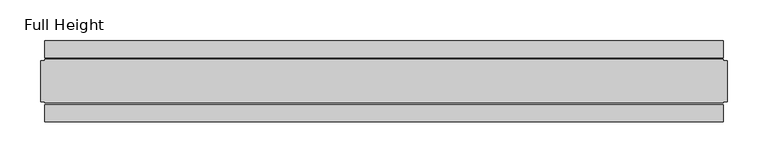
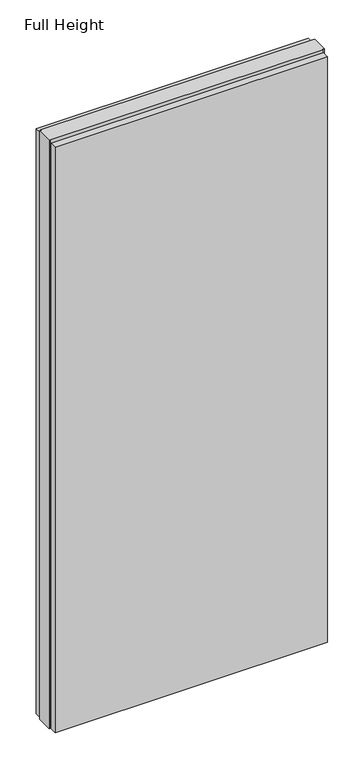
"""IFC4 building model written with IfcOpenShell, lengths in millimetres: plate geometry, Full Height."""

from ifc_helpers import new_model, si_unit, origin, origin_with_axes, place, context, project, spatial, polyline, outline, extrude, source, transform, mapped, element, save


def full_height_613f014a(model_context):
    return source(origin(), model_context, "Body", "SweptSolid", [
        extrude(outline(polyline([(415.9817685, -28.956), (415.9817685, -49.53), (-415.9817685, -49.53), (-415.9817685, -28.956), (415.9817685, -28.956)])), origin_with_axes(), (0.0, 0.0, 1.0), 1889.252),
        extrude(outline(polyline([(415.9817685, 28.956), (-415.9817685, 28.956), (-415.9817685, 49.53), (415.9817685, 49.53), (415.9817685, 28.956)])), origin_with_axes(), (0.0, 0.0, 1.0), 1889.252),
        extrude(outline(polyline([(415.9817685, 25.146), (420.5537685, 25.146), (420.5537685, -25.146), (415.9817685, -25.146), (415.9817685, -26.67), (-415.9817685, -26.67), (-415.9817685, -25.146), (-420.5537685, -25.146), (-420.5537685, 25.146), (-415.9817685, 25.146), (-415.9817685, 26.67), (415.9817685, 26.67), (415.9817685, 25.146)])), origin_with_axes(), (0.0, 0.0, 1.0), 1898.396),
    ])


if __name__ == "__main__":
    model = new_model("IFC4")
    model_context = context("Model", 3, world=origin())
    ifc_project = project(units=[si_unit("LENGTHUNIT", "METRE", prefix="MILLI")], contexts=[model_context])
    site = spatial("IfcSite", under=ifc_project)
    building = spatial("IfcBuilding", under=site)
    placement = place(None, origin())
    full_height_shape = full_height_613f014a(model_context)
    element("IfcPlate", 1, ObjectType="Full Height", at=placement, inside=building, context=model_context, shape_type="MappedRepresentation", body=[
        mapped(full_height_shape, transform((0.0, 0.0, 0.0), x_axis=(1.0, 0.0, 0.0), y_axis=(0.0, 1.0, 0.0), z_axis=(0.0, 0.0, 1.0))),
    ])
    save(model, "model.ifc")
